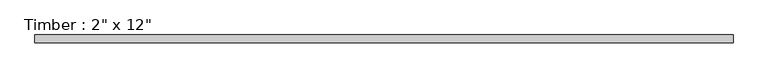
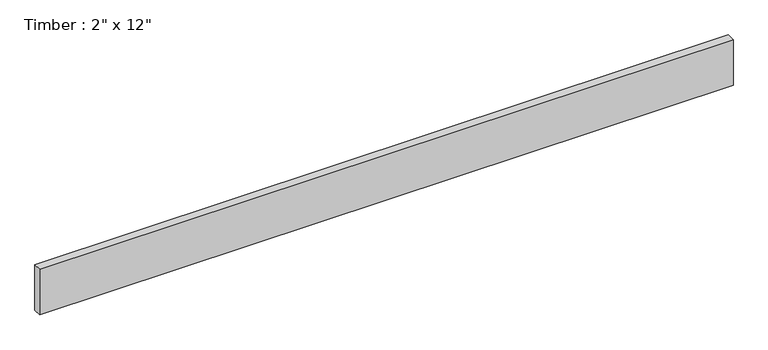
"""IFC4 building model written with IfcOpenShell, lengths in millimetres: beam geometry."""

from ifc_helpers import new_model, si_unit, frame, origin, place, context, project, spatial, polyline, outline, extrude, source, transform, mapped, element, save


def beam_269b9bab(model_context):
    return source(origin(), model_context, "Body", "SweptSolid", [
        extrude(outline(polyline([(2184.3426569, 25.4), (2184.3426569, -25.4), (-2208.3816014, -25.4), (-2208.3816014, 25.4), (2184.3426569, 25.4)])), frame((0.0, 0.0, -152.4), z_axis=(0.0, 0.0, 1.0), x_axis=(1.0, 0.0, 0.0)), (0.0, 0.0, 1.0), 304.8),
    ])


if __name__ == "__main__":
    model = new_model("IFC4")
    model_context = context("Model", 3, world=origin())
    ifc_project = project(units=[si_unit("LENGTHUNIT", "METRE", prefix="MILLI")], contexts=[model_context])
    site = spatial("IfcSite", under=ifc_project)
    building = spatial("IfcBuilding", under=site)
    placement = place(None, origin())
    beam_shape = beam_269b9bab(model_context)
    element("IfcBeam", 1, ObjectType="Timber : 2\" x 12\"", at=placement, inside=building, context=model_context, shape_type="MappedRepresentation", body=[
        mapped(beam_shape, transform((0.0, 0.0, 0.0), x_axis=(1.0, 0.0, 0.0), y_axis=(0.0, 1.0, 0.0), z_axis=(0.0, 0.0, 1.0))),
    ])
    save(model, "model.ifc")
